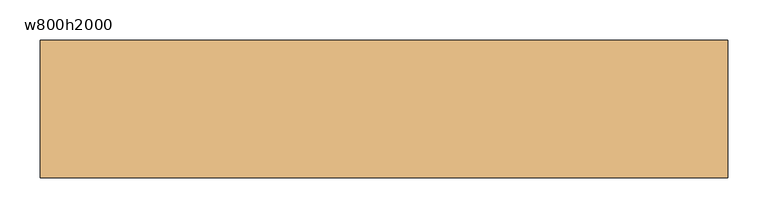
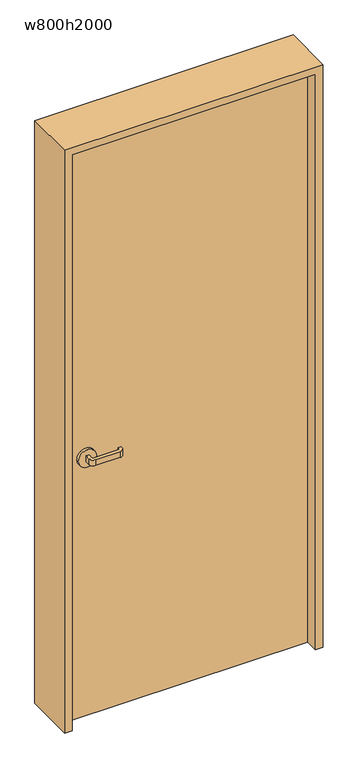
"""IFC4 building model written with IfcOpenShell, lengths in millimetres: door geometry, w800h2000."""

import ifcopenshell
import ifcopenshell.guid

model = None  # the IFC model being written
_history = None  # IfcOwnerHistory: only IFC2X3 demands one
_inside = {}  # id of a spatial element -> (the spatial element, [elements in it])
_under = {}  # id of a project, library or spatial element -> (it, [spatial elements below it])
_declared = {}  # id of a project -> (the project, [libraries it declares])
_typed = {}  # id of a type object -> (the type object, [elements of that type])
_made_of = {}  # id of a material, layer set ... -> (it, [elements and type objects made of it])


def new_model(schema):
    """Start an empty IFC model of exactly this schema.

    Asked for "IFC4X3", IfcOpenShell would pick the latest addendum, in which some entities
    have other attributes; the version numbers below select the first issue.
    IFC2X3 requires an IfcOwnerHistory on every rooted entity: one is made here for all.
    """
    global model, _history
    if schema == "IFC4X3":
        model = ifcopenshell.file(schema_version=(4, 3, 0, 0))
    else:
        model = ifcopenshell.file(schema=schema)
    _inside.clear()
    _under.clear()
    _declared.clear()
    _typed.clear()
    _made_of.clear()
    _history = None
    if model.schema == "IFC2X3":
        org = make("IfcOrganization", Name="unknown")
        user = make(
            "IfcPersonAndOrganization",
            ThePerson=make("IfcPerson", FamilyName="unknown"),
            TheOrganization=org,
        )
        app = make(
            "IfcApplication",
            ApplicationDeveloper=org,
            Version="unknown",
            ApplicationFullName="unknown",
            ApplicationIdentifier="unknown",
        )
        _history = make(
            "IfcOwnerHistory",
            OwningUser=user,
            OwningApplication=app,
            ChangeAction="ADDED",
            CreationDate=0,
        )
    return model


def make(cls, **values):
    """One entity of the class cls with the attributes given. An attribute that is None is left unset."""
    return model.create_entity(
        cls, **{name: value for name, value in values.items() if value is not None}
    )


def rooted(cls, **values):
    """An entity with a GlobalId (a new one), such as an element, a storey or a relation."""
    return make(cls, GlobalId=ifcopenshell.guid.new(), OwnerHistory=_history, **values)


def si_unit(unit_type, name, prefix=None):
    """IfcSIUnit, for example si_unit("LENGTHUNIT", "METRE", prefix="MILLI")."""
    return make("IfcSIUnit", UnitType=unit_type, Prefix=prefix, Name=name)


def assignment(units):
    """IfcUnitAssignment: the units of a project."""
    return None if units is None else make("IfcUnitAssignment", Units=units)


def point(xyz):
    """IfcCartesianPoint."""
    return None if xyz is None else make("IfcCartesianPoint", Coordinates=xyz)


def direction(xyz):
    """IfcDirection."""
    return None if xyz is None else make("IfcDirection", DirectionRatios=xyz)


def frame(location, z_axis=None, x_axis=None):
    """IfcAxis2Placement3D, a coordinate frame: its origin and axes. An axis left out is left unset."""
    return make(
        "IfcAxis2Placement3D",
        Location=point(location),
        Axis=direction(z_axis),
        RefDirection=direction(x_axis),
    )


def frame_2d(location, x_axis=None):
    """IfcAxis2Placement2D, a coordinate frame in the plane: its origin and x axis."""
    return make(
        "IfcAxis2Placement2D", Location=point(location), RefDirection=direction(x_axis)
    )


def origin():
    """The frame at (0, 0, 0) with its axes left unset."""
    return frame((0.0, 0.0, 0.0))


def origin_with_axes():
    """The frame at (0, 0, 0) with the z axis (0, 0, 1) and the x axis (1, 0, 0) written out."""
    return frame((0.0, 0.0, 0.0), z_axis=(0.0, 0.0, 1.0), x_axis=(1.0, 0.0, 0.0))


def place(relative_to, where):
    """IfcLocalPlacement: puts the frame where relative to a parent placement (None: the world)."""
    return make(
        "IfcLocalPlacement", PlacementRelTo=relative_to, RelativePlacement=where
    )


def context(
    kind, dimensions, precision=None, world=None, true_north=None, identifier=None
):
    """IfcGeometricRepresentationContext, for example the 3D "Model" context."""
    return make(
        "IfcGeometricRepresentationContext",
        ContextIdentifier=identifier,
        ContextType=kind,
        CoordinateSpaceDimension=dimensions,
        Precision=precision,
        WorldCoordinateSystem=world,
        TrueNorth=true_north,
    )


def project(units=None, contexts=None):
    """IfcProject with its units and contexts."""
    return rooted(
        "IfcProject",
        Name="project",
        RepresentationContexts=contexts,
        UnitsInContext=assignment(units),
    )


def spatial(cls, under=None, at=None, **own):
    """A site, building, storey or space (cls), placed at a placement, below another one or the project."""
    s = rooted(cls, ObjectPlacement=at, **own)
    if under is not None:
        _under.setdefault(under.id(), (under, []))[1].append(s)
    return s


def polyline(points):
    """IfcPolyline through the points."""
    return make("IfcPolyline", Points=[point(p) for p in points])


def circle_curve(where, radius):
    """IfcCircle in the frame where."""
    return make("IfcCircle", Position=where, Radius=radius)


def trimmed(basis, trim1, trim2, sense, master):
    """IfcTrimmedCurve: the piece of a basis curve between two trims."""
    return make(
        "IfcTrimmedCurve",
        BasisCurve=basis,
        Trim1=trim1,
        Trim2=trim2,
        SenseAgreement=sense,
        MasterRepresentation=master,
    )


def segment(curve, same_sense, transition):
    """IfcCompositeCurveSegment."""
    return make(
        "IfcCompositeCurveSegment",
        Transition=transition,
        SameSense=same_sense,
        ParentCurve=curve,
    )


def composite_curve(segments, self_intersect=None):
    """IfcCompositeCurve: segments joined end to end."""
    return make("IfcCompositeCurve", Segments=segments, SelfIntersect=self_intersect)


def outline(outer, holes=None, kind="AREA"):
    """IfcArbitraryClosedProfileDef: a profile drawn as a closed curve; with holes, ...WithVoids."""
    if holes is None:
        return make("IfcArbitraryClosedProfileDef", ProfileType=kind, OuterCurve=outer)
    return make(
        "IfcArbitraryProfileDefWithVoids",
        ProfileType=kind,
        OuterCurve=outer,
        InnerCurves=holes,
    )


def extrude(swept, where, along, depth):
    """IfcExtrudedAreaSolid: the profile swept, set in the frame where, extruded along a direction by depth."""
    return make(
        "IfcExtrudedAreaSolid",
        SweptArea=swept,
        Position=where,
        ExtrudedDirection=direction(along),
        Depth=depth,
    )


def shape(context_of_items, identifier, shape_type, items):
    """IfcShapeRepresentation: the items that make up one representation, for example the "Body"."""
    return make(
        "IfcShapeRepresentation",
        ContextOfItems=context_of_items,
        RepresentationIdentifier=identifier,
        RepresentationType=shape_type,
        Items=items,
    )


def source(mapping_origin, context_of_items, identifier, shape_type, items):
    """IfcRepresentationMap: a shape defined once, which mapped items show again and again."""
    return make(
        "IfcRepresentationMap",
        MappingOrigin=mapping_origin,
        MappedRepresentation=shape(context_of_items, identifier, shape_type, items),
    )


def transform(
    local_origin,
    x_axis=None,
    y_axis=None,
    z_axis=None,
    scale=None,
    scale2=None,
    scale3=None,
    uniform=True,
):
    """IfcCartesianTransformationOperator3D, or its non-uniform kind. x_axis, y_axis, z_axis: its Axis1, 2, 3."""
    if uniform:
        return make(
            "IfcCartesianTransformationOperator3D",
            Axis1=direction(x_axis),
            Axis2=direction(y_axis),
            LocalOrigin=point(local_origin),
            Scale=scale,
            Axis3=direction(z_axis),
        )
    return make(
        "IfcCartesianTransformationOperator3DnonUniform",
        Axis1=direction(x_axis),
        Axis2=direction(y_axis),
        LocalOrigin=point(local_origin),
        Scale=scale,
        Axis3=direction(z_axis),
        Scale2=scale2,
        Scale3=scale3,
    )


def mapped(mapping_source, mapping_target):
    """IfcMappedItem: shows the shape of a source again, moved by a transform."""
    return make(
        "IfcMappedItem", MappingSource=mapping_source, MappingTarget=mapping_target
    )


def made_of(thing, what):
    """Note that an element or type object is made of a material, layer set ...; save() writes the relation."""
    if what is not None:
        _made_of.setdefault(what.id(), (what, []))[1].append(thing)
    return thing


def element(
    cls,
    number,
    at=None,
    inside=None,
    cuts=None,
    type_object=None,
    material=None,
    context=None,
    identifier="Body",
    shape_type=None,
    held_by="IfcProductDefinitionShape",
    body=None,
    shapes=None,
    **own,
):
    """One element of the class cls, such as IfcWall. Its Tag is "e" and its number.

    at: its placement. inside: the storey or other place that contains it. cuts: it is an
    opening in that element (IfcRelVoidsElement). A single representation is given by context,
    identifier, shape_type and body (its items); several are given by shapes. held_by: the class
    of the entity that holds the representations. save() writes the other relations.
    """
    e = rooted(cls, Tag="e%d" % number, ObjectPlacement=at, **own)
    if body is not None:
        shapes = [shape(context, identifier, shape_type, body)]
    if shapes is not None:
        e.Representation = make(held_by, Representations=shapes)
    if inside is not None:
        _inside.setdefault(inside.id(), (inside, []))[1].append(e)
    if cuts is not None:
        rooted(
            "IfcRelVoidsElement", RelatingBuildingElement=cuts, RelatedOpeningElement=e
        )
    if type_object is not None:
        _typed.setdefault(type_object.id(), (type_object, []))[1].append(e)
    return made_of(e, material)


def aggregate(whole, parts):
    """IfcRelAggregates: a whole, such as a stair, and the parts it consists of."""
    return rooted("IfcRelAggregates", RelatingObject=whole, RelatedObjects=parts)


def save(model, path):
    """Write the relations noted so far, then the file.

    IfcRelAggregates (storeys below a building ...), IfcRelContainedInSpatialStructure (elements
    in a storey), IfcRelDefinesByType, IfcRelAssociatesMaterial and IfcRelDeclares: one each for
    every whole, place, type object, material and project.
    """
    for whole, parts in _under.values():
        aggregate(whole, parts)
    for where, things in _inside.values():
        rooted(
            "IfcRelContainedInSpatialStructure",
            RelatedElements=things,
            RelatingStructure=where,
        )
    for kind, things in _typed.values():
        rooted("IfcRelDefinesByType", RelatedObjects=things, RelatingType=kind)
    for what, things in _made_of.values():
        rooted("IfcRelAssociatesMaterial", RelatedObjects=things, RelatingMaterial=what)
    for by, libraries in _declared.values():
        rooted("IfcRelDeclares", RelatingContext=by, RelatedDefinitions=libraries)
    model.write(path)


def w800h2000_09ab6a6a(model_context):
    return source(origin(), model_context, "Body", "SweptSolid", [
        extrude(outline(polyline([(400.0, -40.0), (-400.0, -40.0), (-400.0, 0.0), (400.0, 0.0), (400.0, -40.0)])), origin_with_axes(), (0.0, 0.0, 1.0), 2000.0),
        extrude(outline(composite_curve([segment(polyline([(-325.0, -50.0), (-325.0, -65.0)]), True, "CONTINUOUS"), segment(trimmed(circle_curve(frame_2d((-320.0, -65.0)), 5.0), [point((-325.0, -65.0))], [point((-320.0, -70.0))], True, "CARTESIAN"), True, "CONTINUOUS"), segment(polyline([(-320.0, -70.0), (-240.0, -70.0)]), True, "CONTINUOUS"), segment(trimmed(circle_curve(frame_2d((-240.0, -65.0)), 5.0), [point((-240.0, -70.0))], [point((-235.0, -65.0))], True, "CARTESIAN"), True, "CONTINUOUS"), segment(polyline([(-235.0, -65.0), (-235.0, -60.0), (-225.0, -60.0), (-225.0, -65.0)]), True, "CONTINUOUS"), segment(trimmed(circle_curve(frame_2d((-240.0, -65.0)), 15.0), [point((-225.0, -65.0))], [point((-240.0, -80.0))], False, "CARTESIAN"), True, "CONTINUOUS"), segment(polyline([(-240.0, -80.0), (-320.0, -80.0)]), True, "CONTINUOUS"), segment(trimmed(circle_curve(frame_2d((-320.0, -65.0)), 15.0), [point((-320.0, -80.0))], [point((-335.0, -65.0))], False, "CARTESIAN"), True, "CONTINUOUS"), segment(polyline([(-335.0, -65.0), (-335.0, -50.0), (-325.0, -50.0)]), True, "CONTINUOUS")], self_intersect=False)), frame((0.0, 0.0, 890.0), z_axis=(0.0, 0.0, 1.0), x_axis=(1.0, 0.0, 0.0)), (0.0, 0.0, 1.0), 20.0),
        extrude(outline(composite_curve([segment(trimmed(circle_curve(frame_2d((900.0, -330.0)), 30.0), [point((900.0, -360.0))], [point((900.0, -300.0))], False, "CARTESIAN"), True, "CONTINUOUS"), segment(trimmed(circle_curve(frame_2d((900.0, -330.0)), 30.0), [point((900.0, -300.0))], [point((900.0, -360.0))], False, "CARTESIAN"), True, "CONTINUOUS")], self_intersect=False)), frame((0.0, -50.0, 0.0), z_axis=(0.0, 1.0, 0.0), x_axis=(0.0, 0.0, 1.0)), (0.0, 0.0, 1.0), 10.0),
        extrude(outline(composite_curve([segment(polyline([(-335.0, 10.0), (-335.0, 25.0)]), True, "CONTINUOUS"), segment(trimmed(circle_curve(frame_2d((-320.0, 25.0)), 15.0), [point((-335.0, 25.0))], [point((-320.0, 40.0))], False, "CARTESIAN"), True, "CONTINUOUS"), segment(polyline([(-320.0, 40.0), (-240.0, 40.0)]), True, "CONTINUOUS"), segment(trimmed(circle_curve(frame_2d((-240.0, 25.0)), 15.0), [point((-240.0, 40.0))], [point((-225.0, 25.0))], False, "CARTESIAN"), True, "CONTINUOUS"), segment(polyline([(-225.0, 25.0), (-225.0, 20.0), (-235.0, 20.0), (-235.0, 25.0)]), True, "CONTINUOUS"), segment(trimmed(circle_curve(frame_2d((-240.0, 25.0)), 5.0), [point((-235.0, 25.0))], [point((-240.0, 30.0))], True, "CARTESIAN"), True, "CONTINUOUS"), segment(polyline([(-240.0, 30.0), (-320.0, 30.0)]), True, "CONTINUOUS"), segment(trimmed(circle_curve(frame_2d((-320.0, 25.0)), 5.0), [point((-320.0, 30.0))], [point((-325.0, 25.0))], True, "CARTESIAN"), True, "CONTINUOUS"), segment(polyline([(-325.0, 25.0), (-325.0, 10.0), (-335.0, 10.0)]), True, "CONTINUOUS")], self_intersect=False)), frame((0.0, 0.0, 890.0), z_axis=(0.0, 0.0, 1.0), x_axis=(1.0, 0.0, 0.0)), (0.0, 0.0, 1.0), 20.0),
        extrude(outline(composite_curve([segment(trimmed(circle_curve(frame_2d((900.0, -330.0)), 30.0), [point((900.0, -360.0))], [point((900.0, -300.0))], False, "CARTESIAN"), True, "CONTINUOUS"), segment(trimmed(circle_curve(frame_2d((900.0, -330.0)), 30.0), [point((900.0, -300.0))], [point((900.0, -360.0))], False, "CARTESIAN"), True, "CONTINUOUS")], self_intersect=False)), frame((0.0, 0.0, 0.0), z_axis=(0.0, 1.0, 0.0), x_axis=(0.0, 0.0, 1.0)), (0.0, 0.0, 1.0), 10.0),
        extrude(outline(polyline([(0.0, -400.0), (2000.0, -400.0), (2000.0, 400.0), (0.0, 400.0), (0.0, 425.0), (2025.0, 425.0), (2025.0, -425.0), (0.0, -425.0), (0.0, -400.0)])), frame((0.0, -85.0, 0.0), z_axis=(0.0, 1.0, 0.0), x_axis=(0.0, 0.0, 1.0)), (0.0, 0.0, 1.0), 170.0),
    ])


if __name__ == "__main__":
    model = new_model("IFC4")
    model_context = context("Model", 3, world=origin())
    ifc_project = project(units=[si_unit("LENGTHUNIT", "METRE", prefix="MILLI")], contexts=[model_context])
    site = spatial("IfcSite", under=ifc_project)
    building = spatial("IfcBuilding", under=site)
    placement = place(None, origin())
    w800h2000_shape = w800h2000_09ab6a6a(model_context)
    element("IfcDoor", 1, ObjectType="w800h2000", at=placement, inside=building, context=model_context, shape_type="MappedRepresentation", body=[
        mapped(w800h2000_shape, transform((0.0, 0.0, 0.0), x_axis=(1.0, 0.0, 0.0), y_axis=(0.0, 1.0, 0.0), z_axis=(0.0, 0.0, 1.0))),
    ])
    save(model, "model.ifc")
